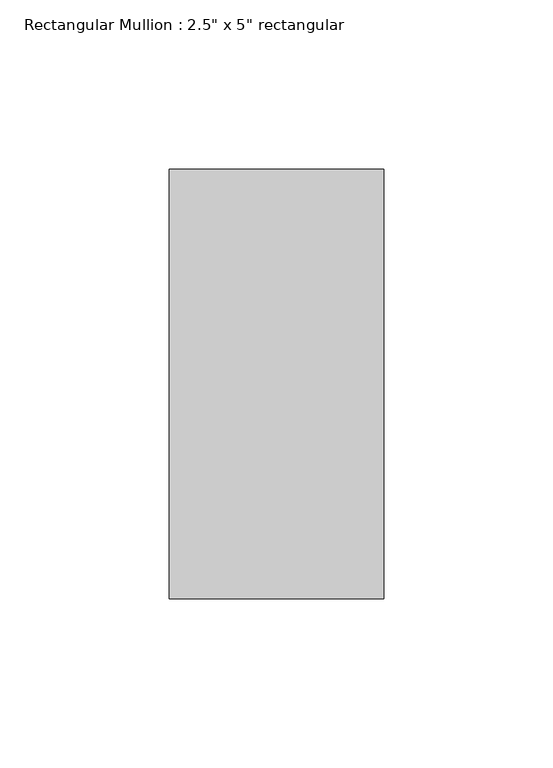
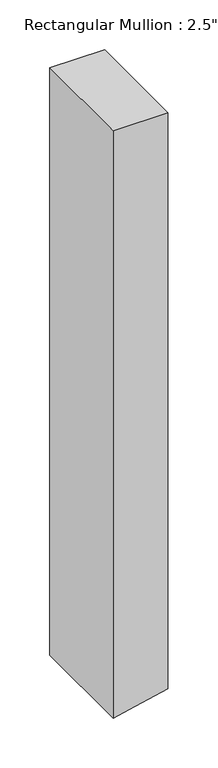
"""IFC4 building model written with IfcOpenShell, lengths in millimetres: member geometry."""

import ifcopenshell
import ifcopenshell.guid

model = None  # the IFC model being written
_history = None  # IfcOwnerHistory: only IFC2X3 demands one
_inside = {}  # id of a spatial element -> (the spatial element, [elements in it])
_under = {}  # id of a project, library or spatial element -> (it, [spatial elements below it])
_declared = {}  # id of a project -> (the project, [libraries it declares])
_typed = {}  # id of a type object -> (the type object, [elements of that type])
_made_of = {}  # id of a material, layer set ... -> (it, [elements and type objects made of it])


def new_model(schema):
    """Start an empty IFC model of exactly this schema.

    Asked for "IFC4X3", IfcOpenShell would pick the latest addendum, in which some entities
    have other attributes; the version numbers below select the first issue.
    IFC2X3 requires an IfcOwnerHistory on every rooted entity: one is made here for all.
    """
    global model, _history
    if schema == "IFC4X3":
        model = ifcopenshell.file(schema_version=(4, 3, 0, 0))
    else:
        model = ifcopenshell.file(schema=schema)
    _inside.clear()
    _under.clear()
    _declared.clear()
    _typed.clear()
    _made_of.clear()
    _history = None
    if model.schema == "IFC2X3":
        org = make("IfcOrganization", Name="unknown")
        user = make(
            "IfcPersonAndOrganization",
            ThePerson=make("IfcPerson", FamilyName="unknown"),
            TheOrganization=org,
        )
        app = make(
            "IfcApplication",
            ApplicationDeveloper=org,
            Version="unknown",
            ApplicationFullName="unknown",
            ApplicationIdentifier="unknown",
        )
        _history = make(
            "IfcOwnerHistory",
            OwningUser=user,
            OwningApplication=app,
            ChangeAction="ADDED",
            CreationDate=0,
        )
    return model


def make(cls, **values):
    """One entity of the class cls with the attributes given. An attribute that is None is left unset."""
    return model.create_entity(
        cls, **{name: value for name, value in values.items() if value is not None}
    )


def rooted(cls, **values):
    """An entity with a GlobalId (a new one), such as an element, a storey or a relation."""
    return make(cls, GlobalId=ifcopenshell.guid.new(), OwnerHistory=_history, **values)


def si_unit(unit_type, name, prefix=None):
    """IfcSIUnit, for example si_unit("LENGTHUNIT", "METRE", prefix="MILLI")."""
    return make("IfcSIUnit", UnitType=unit_type, Prefix=prefix, Name=name)


def assignment(units):
    """IfcUnitAssignment: the units of a project."""
    return None if units is None else make("IfcUnitAssignment", Units=units)


def point(xyz):
    """IfcCartesianPoint."""
    return None if xyz is None else make("IfcCartesianPoint", Coordinates=xyz)


def direction(xyz):
    """IfcDirection."""
    return None if xyz is None else make("IfcDirection", DirectionRatios=xyz)


def frame(location, z_axis=None, x_axis=None):
    """IfcAxis2Placement3D, a coordinate frame: its origin and axes. An axis left out is left unset."""
    return make(
        "IfcAxis2Placement3D",
        Location=point(location),
        Axis=direction(z_axis),
        RefDirection=direction(x_axis),
    )


def origin():
    """The frame at (0, 0, 0) with its axes left unset."""
    return frame((0.0, 0.0, 0.0))


def place(relative_to, where):
    """IfcLocalPlacement: puts the frame where relative to a parent placement (None: the world)."""
    return make(
        "IfcLocalPlacement", PlacementRelTo=relative_to, RelativePlacement=where
    )


def context(
    kind, dimensions, precision=None, world=None, true_north=None, identifier=None
):
    """IfcGeometricRepresentationContext, for example the 3D "Model" context."""
    return make(
        "IfcGeometricRepresentationContext",
        ContextIdentifier=identifier,
        ContextType=kind,
        CoordinateSpaceDimension=dimensions,
        Precision=precision,
        WorldCoordinateSystem=world,
        TrueNorth=true_north,
    )


def project(units=None, contexts=None):
    """IfcProject with its units and contexts."""
    return rooted(
        "IfcProject",
        Name="project",
        RepresentationContexts=contexts,
        UnitsInContext=assignment(units),
    )


def spatial(cls, under=None, at=None, **own):
    """A site, building, storey or space (cls), placed at a placement, below another one or the project."""
    s = rooted(cls, ObjectPlacement=at, **own)
    if under is not None:
        _under.setdefault(under.id(), (under, []))[1].append(s)
    return s


def polyline(points):
    """IfcPolyline through the points."""
    return make("IfcPolyline", Points=[point(p) for p in points])


def outline(outer, holes=None, kind="AREA"):
    """IfcArbitraryClosedProfileDef: a profile drawn as a closed curve; with holes, ...WithVoids."""
    if holes is None:
        return make("IfcArbitraryClosedProfileDef", ProfileType=kind, OuterCurve=outer)
    return make(
        "IfcArbitraryProfileDefWithVoids",
        ProfileType=kind,
        OuterCurve=outer,
        InnerCurves=holes,
    )


def extrude(swept, where, along, depth):
    """IfcExtrudedAreaSolid: the profile swept, set in the frame where, extruded along a direction by depth."""
    return make(
        "IfcExtrudedAreaSolid",
        SweptArea=swept,
        Position=where,
        ExtrudedDirection=direction(along),
        Depth=depth,
    )


def shape(context_of_items, identifier, shape_type, items):
    """IfcShapeRepresentation: the items that make up one representation, for example the "Body"."""
    return make(
        "IfcShapeRepresentation",
        ContextOfItems=context_of_items,
        RepresentationIdentifier=identifier,
        RepresentationType=shape_type,
        Items=items,
    )


def source(mapping_origin, context_of_items, identifier, shape_type, items):
    """IfcRepresentationMap: a shape defined once, which mapped items show again and again."""
    return make(
        "IfcRepresentationMap",
        MappingOrigin=mapping_origin,
        MappedRepresentation=shape(context_of_items, identifier, shape_type, items),
    )


def transform(
    local_origin,
    x_axis=None,
    y_axis=None,
    z_axis=None,
    scale=None,
    scale2=None,
    scale3=None,
    uniform=True,
):
    """IfcCartesianTransformationOperator3D, or its non-uniform kind. x_axis, y_axis, z_axis: its Axis1, 2, 3."""
    if uniform:
        return make(
            "IfcCartesianTransformationOperator3D",
            Axis1=direction(x_axis),
            Axis2=direction(y_axis),
            LocalOrigin=point(local_origin),
            Scale=scale,
            Axis3=direction(z_axis),
        )
    return make(
        "IfcCartesianTransformationOperator3DnonUniform",
        Axis1=direction(x_axis),
        Axis2=direction(y_axis),
        LocalOrigin=point(local_origin),
        Scale=scale,
        Axis3=direction(z_axis),
        Scale2=scale2,
        Scale3=scale3,
    )


def mapped(mapping_source, mapping_target):
    """IfcMappedItem: shows the shape of a source again, moved by a transform."""
    return make(
        "IfcMappedItem", MappingSource=mapping_source, MappingTarget=mapping_target
    )


def made_of(thing, what):
    """Note that an element or type object is made of a material, layer set ...; save() writes the relation."""
    if what is not None:
        _made_of.setdefault(what.id(), (what, []))[1].append(thing)
    return thing


def element(
    cls,
    number,
    at=None,
    inside=None,
    cuts=None,
    type_object=None,
    material=None,
    context=None,
    identifier="Body",
    shape_type=None,
    held_by="IfcProductDefinitionShape",
    body=None,
    shapes=None,
    **own,
):
    """One element of the class cls, such as IfcWall. Its Tag is "e" and its number.

    at: its placement. inside: the storey or other place that contains it. cuts: it is an
    opening in that element (IfcRelVoidsElement). A single representation is given by context,
    identifier, shape_type and body (its items); several are given by shapes. held_by: the class
    of the entity that holds the representations. save() writes the other relations.
    """
    e = rooted(cls, Tag="e%d" % number, ObjectPlacement=at, **own)
    if body is not None:
        shapes = [shape(context, identifier, shape_type, body)]
    if shapes is not None:
        e.Representation = make(held_by, Representations=shapes)
    if inside is not None:
        _inside.setdefault(inside.id(), (inside, []))[1].append(e)
    if cuts is not None:
        rooted(
            "IfcRelVoidsElement", RelatingBuildingElement=cuts, RelatedOpeningElement=e
        )
    if type_object is not None:
        _typed.setdefault(type_object.id(), (type_object, []))[1].append(e)
    return made_of(e, material)


def aggregate(whole, parts):
    """IfcRelAggregates: a whole, such as a stair, and the parts it consists of."""
    return rooted("IfcRelAggregates", RelatingObject=whole, RelatedObjects=parts)


def save(model, path):
    """Write the relations noted so far, then the file.

    IfcRelAggregates (storeys below a building ...), IfcRelContainedInSpatialStructure (elements
    in a storey), IfcRelDefinesByType, IfcRelAssociatesMaterial and IfcRelDeclares: one each for
    every whole, place, type object, material and project.
    """
    for whole, parts in _under.values():
        aggregate(whole, parts)
    for where, things in _inside.values():
        rooted(
            "IfcRelContainedInSpatialStructure",
            RelatedElements=things,
            RelatingStructure=where,
        )
    for kind, things in _typed.values():
        rooted("IfcRelDefinesByType", RelatedObjects=things, RelatingType=kind)
    for what, things in _made_of.values():
        rooted("IfcRelAssociatesMaterial", RelatedObjects=things, RelatingMaterial=what)
    for by, libraries in _declared.values():
        rooted("IfcRelDeclares", RelatingContext=by, RelatedDefinitions=libraries)
    model.write(path)


def member_01c3bb65(model_context):
    return source(origin(), model_context, "Body", "SweptSolid", [
        extrude(outline(polyline([(0.0, 31.75), (0.0, -31.75), (-720.1828498, -31.75), (-716.0690286, -13.5002502), (-706.577895, 31.75), (0.0, 31.75)])), frame((0.0, -63.5, 0.0), z_axis=(0.0, 1.0, 0.0), x_axis=(0.0, 0.0, 1.0)), (0.0, 0.0, 1.0), 127.0),
    ])


if __name__ == "__main__":
    model = new_model("IFC4")
    model_context = context("Model", 3, world=origin())
    ifc_project = project(units=[si_unit("LENGTHUNIT", "METRE", prefix="MILLI")], contexts=[model_context])
    site = spatial("IfcSite", under=ifc_project)
    building = spatial("IfcBuilding", under=site)
    placement = place(None, origin())
    member_shape = member_01c3bb65(model_context)
    element("IfcMember", 1, ObjectType="Rectangular Mullion : 2.5\" x 5\" rectangular", at=placement, inside=building, context=model_context, shape_type="MappedRepresentation", body=[
        mapped(member_shape, transform((0.0, 0.0, 0.0), x_axis=(1.0, 0.0, 0.0), y_axis=(0.0, 1.0, 0.0), z_axis=(0.0, 0.0, 1.0))),
    ])
    save(model, "model.ifc")
